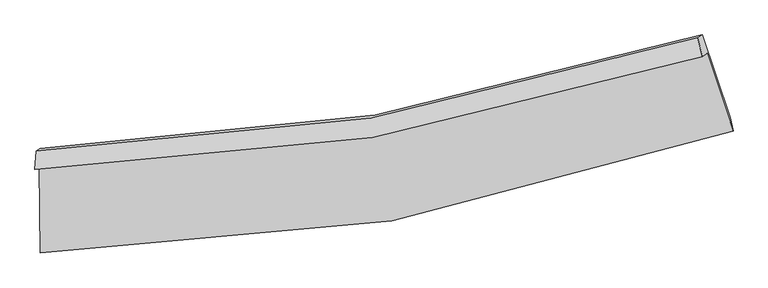
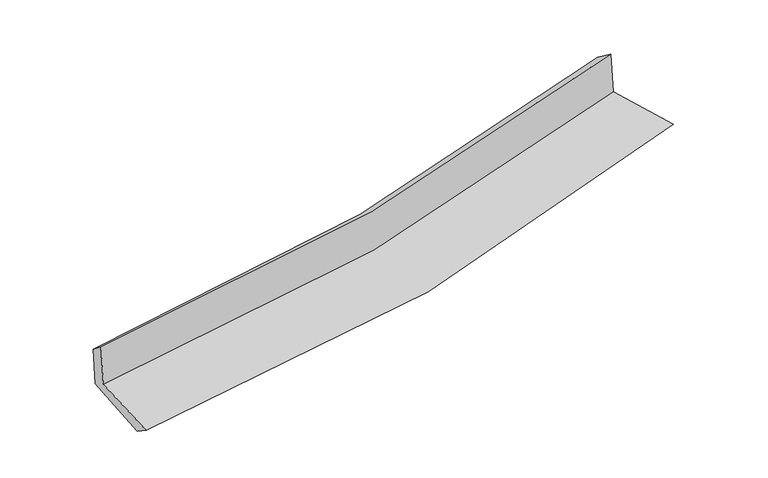
"""IFC4 building model written with IfcOpenShell, lengths in millimetres: proxy geometry."""

from ifc_helpers import new_model, si_unit, frame, origin, place, context, project, spatial, source, transform, mapped, element, save
from ifc_brep_helpers import plane_surface, spline_curve, spline_surface, advanced_brep


def generic_models_6a455318(model_context):
    return source(origin(), model_context, "Body", "AdvancedBrep", [
        advanced_brep(
        [(-2605.5564426, -1872.9691452, 1658.405021), (-2600.4023361, -2538.494103, 1617.8866525), (2736.8538169, -1598.2673964, 2120.5563161), (2535.9109485, -998.9145966, 2139.3670774), (-2640.6780469, -1896.9837859, 2048.3842533), (2500.645936, -1023.0272937, 2530.9386696), (-2630.3898383, -1753.9013882, 1930.749086), (2464.7476227, -879.318945, 2424.2892684), (-2598.3936647, -1732.0237825, 1575.4736518), (2497.8575512, -856.6798016, 2056.6470512), (-2591.2916243, -2383.5829605, 1513.0104759), (2713.774447, -1494.2307837, 2017.0210167)],
        [
            (0, 1),
            (1, 2, spline_curve(3, [(-2600.4023361, -2538.494103, 1617.8866525), (-1683.890629202, -2531.538613891, 1691.049832322), (-781.304121676, -2449.86529561, 1769.47232765), (997.838354893, -2136.762731004, 1937.007319632), (1874.33723184, -1905.027147527, 2026.1413784), (2736.8538169, -1598.2673964, 2120.5563161)], [4, 2, 4], [0.0, 8.782189502485881, 17.58236376747702])),
            (2, 3),
            (3, 0, spline_curve(3, [(2535.9109485, -998.9145966, 2139.3670774), (1700.124985759, -1269.749391339, 2049.571737792), (853.326874276, -1478.015236885, 1964.557784901), (-860.540554024, -1769.111272511, 1804.256622793), (-1727.56490627, -1852.196942967, 1728.94989026), (-2605.5564426, -1872.9691452, 1658.405021)], [4, 2, 4], [0.0, 8.800174264991139, 17.58236376747702])),
            (4, 0),
            (3, 5),
            (5, 4, spline_curve(3, [(2500.645936, -1023.0272937, 2530.9386696), (1664.311219708, -1294.237302325, 2447.236516061), (817.250987438, -1502.682375099, 2365.133071737), (-896.56746808, -1793.744924949, 2204.288127185), (-1763.281896545, -1876.618682753, 2125.540099475), (-2640.6780469, -1896.9837859, 2048.3842533)], [4, 2, 4], [0.0, 8.626513024064513, 17.235396194069942])),
            (6, 4),
            (5, 7),
            (7, 6, spline_curve(3, [(2464.7476227, -879.318945, 2424.2892684), (1635.803233551, -1145.279227681, 2338.057128085), (796.291139916, -1351.154391555, 2253.772629868), (-902.131163673, -1642.436533675, 2089.267188527), (-1760.998223515, -1728.088850684, 2009.038292562), (-2630.3898383, -1753.9013882, 1930.749086)], [4, 2, 4], [0.0, 8.589241206169884, 17.160928730044198])),
            (8, 6),
            (7, 9),
            (9, 8, spline_curve(3, [(2497.8575512, -856.6798016, 2056.6470512), (1669.61824021, -1122.157982022, 1962.585946395), (830.365321914, -1327.855933111, 1875.423644752), (-868.430053861, -1619.39316599, 1715.060680958), (-1727.927540909, -1705.476542166, 1641.831849242), (-2598.3936647, -1732.0237825, 1575.4736518)], [4, 2, 4], [0.0, 8.552065008057804, 17.086652310167068])),
            (10, 8),
            (9, 11),
            (11, 10, spline_curve(3, [(2713.774447, -1494.2307837, 2017.0210167), (1853.726708957, -1788.574639191, 1920.817217892), (981.148990365, -2009.860403543, 1830.677674659), (-787.257529013, -2306.01281935, 1662.698922538), (-1683.035167421, -2381.177780488, 1584.834952092), (-2591.2916243, -2383.5829605, 1513.0104759)], [4, 2, 4], [0.0, 8.729251136058222, 17.44066245397156])),
            (1, 10),
            (11, 2),
        ],
        [
            spline_surface(3, 3, [[(-2605.5564426, -1872.9691452, 1658.405021), (-1727.564906354, -1852.196942887, 1728.949890122), (-860.540554065, -1769.111272382, 1804.256622773), (853.326874317, -1478.015237014, 1964.557784922), (1700.12498572, -1269.749391274, 2049.571737767), (2535.9109485, -998.9145966, 2139.3670774)], [(-2603.8384071, -2094.810797819, 1644.898898143), (-1713.006813967, -2078.644166605, 1716.31653749), (-834.12840996, -1996.029280079, 1792.661857769), (901.497367845, -1697.597735033, 1955.374296444), (1758.1957344, -1481.508643302, 2041.761618027), (2602.891904613, -1198.698863182, 2133.096823641)], [(-2602.1203716, -2316.652450381, 1631.392775357), (-1698.448721581, -2305.091390267, 1703.683184929), (-807.716265821, -2222.947287811, 1781.06709278), (949.667861406, -1917.180233087, 1946.190807982), (1816.266483142, -1693.267895385, 2033.951498264), (2669.872860787, -1398.483129818, 2126.826569859)], [(-2600.4023361, -2538.494103, 1617.8866525), (-1683.890629194, -2531.538613985, 1691.049832296), (-781.304121716, -2449.865295508, 1769.472327777), (997.838354933, -2136.762731106, 1937.007319505), (1874.337231822, -1905.027147413, 2026.141378524), (2736.8538169, -1598.2673964, 2120.5563161)]], [4, 4], [4, 2, 4], [0.0, 2.23009657154461], [0.0, 8.782189502485881, 17.58236376747702]),
            spline_surface(3, 3, [[(-2640.6780469, -1896.9837859, 2048.3842533), (-1763.281896525, -1876.618682809, 2125.540099609), (-896.567467951, -1793.744924852, 2204.288127324), (817.250987309, -1502.682375196, 2365.133071597), (1664.311219722, -1294.237302388, 2447.236515974), (2500.645936, -1023.0272937, 2530.9386696)], [(-2628.970845459, -1888.978905658, 1918.391175877), (-1751.376233127, -1868.478102826, 1993.343363123), (-884.558496656, -1785.533707377, 2070.944292483), (829.276282979, -1494.459995817, 2231.607976048), (1676.249141743, -1286.074665347, 2314.681589896), (2512.400940188, -1014.989727998, 2400.414805525)], [(-2617.263644041, -1880.974025442, 1788.398098423), (-1739.470569752, -1860.33752287, 1861.146626608), (-872.54952536, -1777.322489857, 1937.600457614), (841.301578648, -1486.237616392, 2098.082880471), (1688.187063699, -1277.912028315, 2182.126663844), (2524.155944312, -1006.952162302, 2269.890941475)], [(-2605.5564426, -1872.9691452, 1658.405021), (-1727.564906354, -1852.196942887, 1728.949890122), (-860.540554065, -1769.111272382, 1804.256622773), (853.326874317, -1478.015237014, 1964.557784922), (1700.12498572, -1269.749391274, 2049.571737767), (2535.9109485, -998.9145966, 2139.3670774)]], [4, 4], [4, 2, 4], [0.0, 1.3211262222023283], [0.0, 8.608883170005429, 17.235396194069942]),
            spline_surface(3, 3, [[(-2630.3898383, -1753.9013882, 1930.749086), (-1760.998223593, -1728.088850795, 2009.038292431), (-902.131163681, -1642.436533733, 2089.267188432), (796.291139924, -1351.154391497, 2253.772629963), (1635.803233662, -1145.279227555, 2338.057128121), (2464.7476227, -879.318945, 2424.2892684)], [(-2633.819241162, -1801.595520747, 1969.960808438), (-1761.759447899, -1777.598794781, 2047.872228162), (-900.276598448, -1692.8726641, 2127.607501394), (803.277755709, -1401.663719391, 2290.892777172), (1645.305895668, -1194.931919193, 2374.450257427), (2476.713727119, -927.221727927, 2459.839068822)], [(-2637.248644038, -1849.289653353, 2009.172530862), (-1762.520672219, -1827.108738824, 2086.706163878), (-898.422033184, -1743.308794484, 2165.947814363), (810.264371524, -1452.173047302, 2328.012924388), (1654.808557716, -1244.584610749, 2410.843386668), (2488.679831581, -975.124510773, 2495.388869178)], [(-2640.6780469, -1896.9837859, 2048.3842533), (-1763.281896525, -1876.618682809, 2125.540099609), (-896.567467951, -1793.744924852, 2204.288127324), (817.250987309, -1502.682375196, 2365.133071597), (1664.311219722, -1294.237302388, 2447.236515974), (2500.645936, -1023.0272937, 2530.9386696)]], [4, 4], [4, 2, 4], [0.0, 0.6217612293726019], [0.0, 8.571687523874314, 17.160928730044198]),
            spline_surface(3, 3, [[(-2598.3936647, -1732.0237825, 1575.4736518), (-1727.92754105, -1705.476542148, 1641.831849367), (-868.430053934, -1619.393166061, 1715.060680841), (830.365321987, -1327.855933039, 1875.42364487), (1669.618240196, -1122.157982155, 1962.585946512), (2497.8575512, -856.6798016, 2056.6470512)], [(-2609.059055908, -1739.316317765, 1693.898796536), (-1738.951101906, -1713.013978395, 1764.233997058), (-879.663757172, -1627.074288621, 1839.796183361), (819.00726131, -1335.622085861, 2001.539973224), (1658.346571363, -1129.865063954, 2087.74300703), (2486.820908379, -864.226182732, 2179.194456915)], [(-2619.724447092, -1746.608852935, 1812.323941264), (-1749.974662737, -1720.551414548, 1886.63614474), (-890.897460443, -1634.755411173, 1964.531685912), (807.649200601, -1343.388238675, 2127.656301609), (1647.074902494, -1137.572145756, 2212.900067603), (2475.784265521, -871.772563868, 2301.741862685)], [(-2630.3898383, -1753.9013882, 1930.749086), (-1760.998223593, -1728.088850795, 2009.038292431), (-902.131163681, -1642.436533733, 2089.267188432), (796.291139924, -1351.154391497, 2253.772629963), (1635.803233662, -1145.279227555, 2338.057128121), (2464.7476227, -879.318945, 2424.2892684)]], [4, 4], [4, 2, 4], [0.0, 1.2418463148032866], [0.0, 8.534587302109264, 17.086652310167068]),
            spline_surface(3, 3, [[(-2591.2916243, -2383.5829605, 1513.0104759), (-1683.035167438, -2381.177780526, 1584.834952203), (-787.257529003, -2306.012819268, 1662.698922547), (981.148990355, -2009.860403625, 1830.67767465), (1853.726709049, -1788.574639277, 1920.817217903), (2713.774447, -1494.2307837, 2017.0210167)], [(-2593.658971095, -2166.396567809, 1533.831534538), (-1697.999291971, -2155.944034376, 1603.833917929), (-814.315037332, -2077.139601539, 1680.152841985), (930.887767547, -1782.525580104, 1845.592998063), (1792.357219439, -1566.435753545, 1934.740127452), (2641.802148407, -1281.713789642, 2030.229694879)], [(-2596.026317905, -1949.210175191, 1554.652593162), (-1712.963416517, -1930.710288298, 1622.83288364), (-841.372545605, -1848.266383789, 1697.606761403), (880.626544796, -1555.190756561, 1860.508321456), (1730.987729806, -1344.296867887, 1948.663036964), (2569.829849793, -1069.196795658, 2043.438373021)], [(-2598.3936647, -1732.0237825, 1575.4736518), (-1727.92754105, -1705.476542148, 1641.831849367), (-868.430053934, -1619.393166061, 1715.060680841), (830.365321987, -1327.855933039, 1875.42364487), (1669.618240196, -1122.157982155, 1962.585946512), (2497.8575512, -856.6798016, 2056.6470512)]], [4, 4], [4, 2, 4], [0.0, 2.2827211679824067], [0.0, 8.711411317913337, 17.44066245397156]),
            spline_surface(3, 3, [[(-2600.4023361, -2538.494103, 1617.8866525), (-1683.890629194, -2531.538613985, 1691.049832296), (-781.304121716, -2449.865295508, 1769.472327777), (997.838354933, -2136.762731106, 1937.007319505), (1874.337231822, -1905.027147413, 2026.141378524), (2736.8538169, -1598.2673964, 2120.5563161)], [(-2597.365432175, -2486.857055502, 1582.927926967), (-1683.605475284, -2481.418336167, 1655.644872266), (-783.288590781, -2401.914470087, 1733.881192702), (992.275233437, -2094.461955271, 1901.564104555), (1867.467057558, -1866.209644721, 1991.033324969), (2729.160693593, -1563.58852552, 2086.044549618)], [(-2594.328528225, -2435.220007998, 1547.969201433), (-1683.320321348, -2431.298058344, 1620.239912233), (-785.273059937, -2353.963644689, 1698.290057622), (986.712111851, -2052.16117946, 1866.1208896), (1860.596883313, -1827.39214197, 1955.925271458), (2721.467570307, -1528.90965458, 2051.532783182)], [(-2591.2916243, -2383.5829605, 1513.0104759), (-1683.035167438, -2381.177780526, 1584.834952203), (-787.257529003, -2306.012819268, 1662.698922547), (981.148990355, -2009.860403625, 1830.67767465), (1853.726709049, -1788.574639277, 1920.817217903), (2713.774447, -1494.2307837, 2017.0210167)]], [4, 4], [4, 2, 4], [0.0, 0.5663978168725023], [0.0, 8.921961254194924, 17.862193504955382]),
            plane_surface(frame((2574.9650537, -1141.7398028, 2214.8032332), z_axis=(0.9439429465954879, 0.3131989603583291, 0.10429824928103867), x_axis=(-0.08952894301386335, -0.06121603618596148, 0.9941011846268465))),
            plane_surface(frame((-2611.1186588, -2029.6591942, 1723.9848567), z_axis=(-0.9959542245196232, -0.0022438331295753034, -0.0898340017721753), x_axis=(-0.007729878675431011, 0.9981220176544379, 0.06076748183936439))),
        ],
        [
            (0, [[1, 2, 3, 4]]),
            (1, [[5, -4, 6, 7]]),
            (2, [[8, -7, 9, 10]]),
            (3, [[11, -10, 12, 13]]),
            (4, [[14, -13, 15, 16]]),
            (5, [[17, -16, 18, -2]]),
            (6, [[-12, -9, -6, -3, -18, -15]]),
            (7, [[-1, -5, -8, -11, -14, -17]]),
        ],
    ),
    ])


if __name__ == "__main__":
    model = new_model("IFC4")
    model_context = context("Model", 3, world=origin())
    ifc_project = project(units=[si_unit("LENGTHUNIT", "METRE", prefix="MILLI")], contexts=[model_context])
    site = spatial("IfcSite", under=ifc_project)
    building = spatial("IfcBuilding", under=site)
    placement = place(None, origin())
    generic_models_shape = generic_models_6a455318(model_context)
    element("IfcBuildingElementProxy", 1, Name="Generic Models", at=placement, inside=building, context=model_context, shape_type="MappedRepresentation", body=[
        mapped(generic_models_shape, transform((0.0, 0.0, 0.0), x_axis=(1.0, 0.0, 0.0), y_axis=(0.0, 1.0, 0.0), z_axis=(0.0, 0.0, 1.0))),
    ])
    save(model, "model.ifc")
